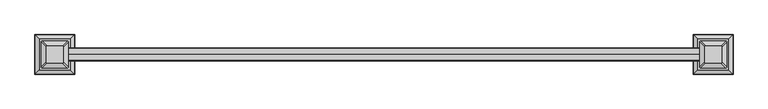
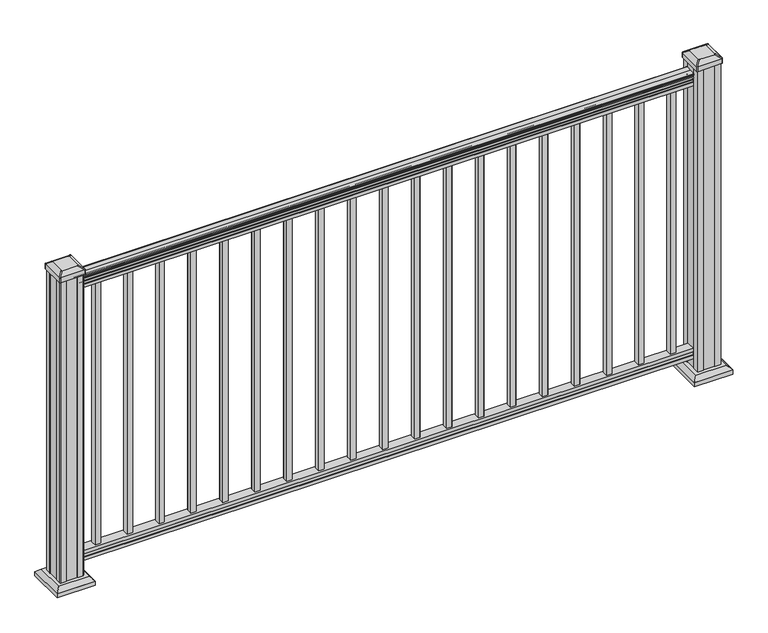
"""IFC4 building model written with IfcOpenShell, lengths in millimetres: railing geometry."""

from ifc_helpers import new_model, si_unit, point, frame, frame_2d, origin, origin_with_axes, place, context, project, spatial, polyline, circle_curve, trimmed, segment, composite_curve, outline, extrude, faceted_brep, source, transform, mapped, element, save
from ifc_brep_helpers import plane_surface, extruded_surface, advanced_brep


def railing_3f3733c8(model_context):
    return source(origin(), model_context, "Body", "SolidModel", [
        extrude(outline(composite_curve([segment(trimmed(circle_curve(frame_2d((3347.6690602, 1090.8043297)), 1.2869144), [point((3348.9559745, 1090.8043297))], [point((3346.3821458, 1090.8043297))], False, "CARTESIAN"), True, "CONTINUOUS"), segment(polyline([(3346.3821458, 1090.8043297), (3346.3821458, 1080.147013), (3347.3981458, 1079.131013), (3347.3981458, 1066.8), (3315.6481458, 1066.8), (3315.6481458, 1079.2888283), (3316.6641458, 1080.3048283), (3316.6641458, 1090.8043297)]), True, "CONTINUOUS"), segment(trimmed(circle_curve(frame_2d((3315.3772314, 1090.8043297)), 1.2869144), [point((3316.6641458, 1090.8043297))], [point((3314.0903171, 1090.8043297))], False, "CARTESIAN"), True, "CONTINUOUS"), segment(polyline([(3314.0903171, 1090.8043297), (3314.0903171, 1092.692412)]), True, "CONTINUOUS"), segment(trimmed(circle_curve(frame_2d((3320.4050703, 1098.4506383)), 8.545951), [point((3314.0903171, 1092.692412))], [point((3312.9601308, 1094.2546695))], False, "CARTESIAN"), True, "CONTINUOUS"), segment(trimmed(circle_curve(frame_2d((3319.9680074, 1097.8636577)), 7.882584), [point((3312.9601308, 1094.2546695))], [point((3312.9601308, 1101.4726458))], False, "CARTESIAN"), True, "CONTINUOUS"), segment(trimmed(circle_curve(frame_2d((3309.4546832, 1103.7112527)), 4.1592695), [point((3312.9601308, 1101.4726458))], [point((3313.6093872, 1103.9060812))], True, "CARTESIAN"), True, "CONTINUOUS"), segment(trimmed(circle_curve(frame_2d((3308.1673767, 1103.6508864)), 5.4479907), [point((3313.6093872, 1103.9060812))], [point((3311.1093872, 1108.2362083))], True, "CARTESIAN"), True, "CONTINUOUS"), segment(trimmed(circle_curve(frame_2d((3309.4005351, 1108.233395)), 1.7088543), [point((3311.1093872, 1108.2362083))], [point((3309.7000447, 1109.9157972))], True, "CARTESIAN"), True, "CONTINUOUS"), segment(trimmed(circle_curve(frame_2d((3311.0174352, 1111.0205318)), 1.7192895), [point((3309.7000447, 1109.9157972))], [point((3309.2981457, 1111.0205318))], False, "CARTESIAN"), True, "CONTINUOUS"), segment(polyline([(3309.2981457, 1111.0205318), (3309.2981458, 1112.3608158)]), True, "CONTINUOUS"), segment(trimmed(circle_curve(frame_2d((3310.851593, 1112.3608158)), 1.5534472), [point((3309.2981458, 1112.3608158))], [point((3310.851593, 1113.914263))], False, "CARTESIAN"), True, "CONTINUOUS"), segment(polyline([(3310.851593, 1113.914263), (3331.5231458, 1113.914263), (3352.1946986, 1113.914263)]), True, "CONTINUOUS"), segment(trimmed(circle_curve(frame_2d((3352.1946986, 1112.3608158)), 1.5534472), [point((3352.1946986, 1113.914263))], [point((3353.7481458, 1112.3608158))], False, "CARTESIAN"), True, "CONTINUOUS"), segment(polyline([(3353.7481458, 1112.3608158), (3353.7481458, 1111.0205318)]), True, "CONTINUOUS"), segment(trimmed(circle_curve(frame_2d((3352.0288564, 1111.0205318)), 1.7192895), [point((3353.7481458, 1111.0205318))], [point((3353.3462469, 1109.9157972))], False, "CARTESIAN"), True, "CONTINUOUS"), segment(trimmed(circle_curve(frame_2d((3353.6457565, 1108.233395)), 1.7088543), [point((3353.3462469, 1109.9157972))], [point((3351.9369044, 1108.2362083))], True, "CARTESIAN"), True, "CONTINUOUS"), segment(trimmed(circle_curve(frame_2d((3354.8789149, 1103.6508864)), 5.4479907), [point((3351.9369044, 1108.2362083))], [point((3349.4369044, 1103.9060812))], True, "CARTESIAN"), True, "CONTINUOUS"), segment(trimmed(circle_curve(frame_2d((3353.5916083, 1103.7112527)), 4.1592695), [point((3349.4369044, 1103.9060812))], [point((3350.0861608, 1101.4726458))], True, "CARTESIAN"), True, "CONTINUOUS"), segment(trimmed(circle_curve(frame_2d((3343.0782842, 1097.8636577)), 7.882584), [point((3350.0861608, 1101.4726458))], [point((3350.0861608, 1094.2546695))], False, "CARTESIAN"), True, "CONTINUOUS"), segment(trimmed(circle_curve(frame_2d((3342.6412213, 1098.4506383)), 8.545951), [point((3350.0861608, 1094.2546695))], [point((3348.9559745, 1092.692412))], False, "CARTESIAN"), True, "CONTINUOUS"), segment(polyline([(3348.9559745, 1092.692412), (3348.9559745, 1090.8043297)]), True, "CONTINUOUS")], self_intersect=False)), frame((20365.565028, 0.0, 0.0), z_axis=(1.0, 0.0, 0.0), x_axis=(0.0, 1.0, 0.0)), (0.0, 0.0, 1.0), 2133.6),
        extrude(outline(polyline([(3347.4356327, 76.0541976), (3347.4356327, 63.5), (3315.6856327, 63.5), (3315.6856327, 76.0375508), (3316.7016327, 77.3858283), (3316.7016327, 87.6975248), (3315.6856327, 89.0458024), (3315.6856327, 101.5958781), (3347.4356327, 101.5958781), (3347.4356327, 89.0624492), (3346.4196327, 87.7141717), (3346.4196327, 77.3546183), (3347.4356327, 76.0541976)])), frame((20365.565028, 0.0, 0.0), z_axis=(1.0, 0.0, 0.0), x_axis=(0.0, 1.0, 0.0)), (0.0, 0.0, 1.0), 2133.6),
        extrude(outline(polyline([(20441.765028, 3341.0481458), (20441.765028, 3321.9981458), (20422.715028, 3321.9981458), (20422.715028, 3341.0481458), (20441.765028, 3341.0481458)]), holes=[polyline([(20441.368153, 3340.6512708), (20423.111903, 3340.6512708), (20423.111903, 3322.3950208), (20441.368153, 3322.3950208), (20441.368153, 3340.6512708)])]), frame((0.0, 0.0, 101.5958781), z_axis=(0.0, 0.0, 1.0), x_axis=(1.0, 0.0, 0.0)), (0.0, 0.0, 1.0), 965.2041219),
        extrude(outline(polyline([(20552.890028, 3341.0481458), (20552.890028, 3321.9981458), (20533.840028, 3321.9981458), (20533.840028, 3341.0481458), (20552.890028, 3341.0481458)]), holes=[polyline([(20552.493153, 3340.6512708), (20534.236903, 3340.6512708), (20534.236903, 3322.3950208), (20552.493153, 3322.3950208), (20552.493153, 3340.6512708)])]), frame((0.0, 0.0, 101.5958781), z_axis=(0.0, 0.0, 1.0), x_axis=(1.0, 0.0, 0.0)), (0.0, 0.0, 1.0), 965.2041219),
        extrude(outline(polyline([(20664.015028, 3341.0481458), (20664.015028, 3321.9981458), (20644.965028, 3321.9981458), (20644.965028, 3341.0481458), (20664.015028, 3341.0481458)]), holes=[polyline([(20663.618153, 3340.6512708), (20645.361903, 3340.6512708), (20645.361903, 3322.3950208), (20663.618153, 3322.3950208), (20663.618153, 3340.6512708)])]), frame((0.0, 0.0, 101.5958781), z_axis=(0.0, 0.0, 1.0), x_axis=(1.0, 0.0, 0.0)), (0.0, 0.0, 1.0), 965.2041219),
        extrude(outline(polyline([(20775.140028, 3341.0481458), (20775.140028, 3321.9981458), (20756.090028, 3321.9981458), (20756.090028, 3341.0481458), (20775.140028, 3341.0481458)]), holes=[polyline([(20774.743153, 3340.6512708), (20756.486903, 3340.6512708), (20756.486903, 3322.3950208), (20774.743153, 3322.3950208), (20774.743153, 3340.6512708)])]), frame((0.0, 0.0, 101.5958781), z_axis=(0.0, 0.0, 1.0), x_axis=(1.0, 0.0, 0.0)), (0.0, 0.0, 1.0), 965.2041219),
        extrude(outline(polyline([(20886.265028, 3341.0481458), (20886.265028, 3321.9981458), (20867.215028, 3321.9981458), (20867.215028, 3341.0481458), (20886.265028, 3341.0481458)]), holes=[polyline([(20885.868153, 3340.6512708), (20867.611903, 3340.6512708), (20867.611903, 3322.3950208), (20885.868153, 3322.3950208), (20885.868153, 3340.6512708)])]), frame((0.0, 0.0, 101.5958781), z_axis=(0.0, 0.0, 1.0), x_axis=(1.0, 0.0, 0.0)), (0.0, 0.0, 1.0), 965.2041219),
        extrude(outline(polyline([(20997.390028, 3341.0481458), (20997.390028, 3321.9981458), (20978.340028, 3321.9981458), (20978.340028, 3341.0481458), (20997.390028, 3341.0481458)]), holes=[polyline([(20996.993153, 3340.6512708), (20978.736903, 3340.6512708), (20978.736903, 3322.3950208), (20996.993153, 3322.3950208), (20996.993153, 3340.6512708)])]), frame((0.0, 0.0, 101.5958781), z_axis=(0.0, 0.0, 1.0), x_axis=(1.0, 0.0, 0.0)), (0.0, 0.0, 1.0), 965.2041219),
        extrude(outline(polyline([(21108.515028, 3341.0481458), (21108.515028, 3321.9981458), (21089.465028, 3321.9981458), (21089.465028, 3341.0481458), (21108.515028, 3341.0481458)]), holes=[polyline([(21108.118153, 3340.6512708), (21089.861903, 3340.6512708), (21089.861903, 3322.3950208), (21108.118153, 3322.3950208), (21108.118153, 3340.6512708)])]), frame((0.0, 0.0, 101.5958781), z_axis=(0.0, 0.0, 1.0), x_axis=(1.0, 0.0, 0.0)), (0.0, 0.0, 1.0), 965.2041219),
        extrude(outline(polyline([(21219.640028, 3341.0481458), (21219.640028, 3321.9981458), (21200.590028, 3321.9981458), (21200.590028, 3341.0481458), (21219.640028, 3341.0481458)]), holes=[polyline([(21219.243153, 3340.6512708), (21200.986903, 3340.6512708), (21200.986903, 3322.3950208), (21219.243153, 3322.3950208), (21219.243153, 3340.6512708)])]), frame((0.0, 0.0, 101.5958781), z_axis=(0.0, 0.0, 1.0), x_axis=(1.0, 0.0, 0.0)), (0.0, 0.0, 1.0), 965.2041219),
        extrude(outline(polyline([(21330.765028, 3341.0481458), (21330.765028, 3321.9981458), (21311.715028, 3321.9981458), (21311.715028, 3341.0481458), (21330.765028, 3341.0481458)]), holes=[polyline([(21330.368153, 3340.6512708), (21312.111903, 3340.6512708), (21312.111903, 3322.3950208), (21330.368153, 3322.3950208), (21330.368153, 3340.6512708)])]), frame((0.0, 0.0, 101.5958781), z_axis=(0.0, 0.0, 1.0), x_axis=(1.0, 0.0, 0.0)), (0.0, 0.0, 1.0), 965.2041219),
        extrude(outline(polyline([(21441.890028, 3341.0481458), (21441.890028, 3321.9981458), (21422.840028, 3321.9981458), (21422.840028, 3341.0481458), (21441.890028, 3341.0481458)]), holes=[polyline([(21441.493153, 3340.6512708), (21423.236903, 3340.6512708), (21423.236903, 3322.3950208), (21441.493153, 3322.3950208), (21441.493153, 3340.6512708)])]), frame((0.0, 0.0, 101.5958781), z_axis=(0.0, 0.0, 1.0), x_axis=(1.0, 0.0, 0.0)), (0.0, 0.0, 1.0), 965.2041219),
        extrude(outline(polyline([(21553.015028, 3341.0481458), (21553.015028, 3321.9981458), (21533.965028, 3321.9981458), (21533.965028, 3341.0481458), (21553.015028, 3341.0481458)]), holes=[polyline([(21552.618153, 3340.6512708), (21534.361903, 3340.6512708), (21534.361903, 3322.3950208), (21552.618153, 3322.3950208), (21552.618153, 3340.6512708)])]), frame((0.0, 0.0, 101.5958781), z_axis=(0.0, 0.0, 1.0), x_axis=(1.0, 0.0, 0.0)), (0.0, 0.0, 1.0), 965.2041219),
        extrude(outline(polyline([(21664.140028, 3341.0481458), (21664.140028, 3321.9981458), (21645.090028, 3321.9981458), (21645.090028, 3341.0481458), (21664.140028, 3341.0481458)]), holes=[polyline([(21663.743153, 3340.6512708), (21645.486903, 3340.6512708), (21645.486903, 3322.3950208), (21663.743153, 3322.3950208), (21663.743153, 3340.6512708)])]), frame((0.0, 0.0, 101.5958781), z_axis=(0.0, 0.0, 1.0), x_axis=(1.0, 0.0, 0.0)), (0.0, 0.0, 1.0), 965.2041219),
        extrude(outline(polyline([(21775.265028, 3341.0481458), (21775.265028, 3321.9981458), (21756.215028, 3321.9981458), (21756.215028, 3341.0481458), (21775.265028, 3341.0481458)]), holes=[polyline([(21774.868153, 3340.6512708), (21756.611903, 3340.6512708), (21756.611903, 3322.3950208), (21774.868153, 3322.3950208), (21774.868153, 3340.6512708)])]), frame((0.0, 0.0, 101.5958781), z_axis=(0.0, 0.0, 1.0), x_axis=(1.0, 0.0, 0.0)), (0.0, 0.0, 1.0), 965.2041219),
        extrude(outline(polyline([(21886.390028, 3341.0481458), (21886.390028, 3321.9981458), (21867.340028, 3321.9981458), (21867.340028, 3341.0481458), (21886.390028, 3341.0481458)]), holes=[polyline([(21885.993153, 3340.6512708), (21867.736903, 3340.6512708), (21867.736903, 3322.3950208), (21885.993153, 3322.3950208), (21885.993153, 3340.6512708)])]), frame((0.0, 0.0, 101.5958781), z_axis=(0.0, 0.0, 1.0), x_axis=(1.0, 0.0, 0.0)), (0.0, 0.0, 1.0), 965.2041219),
        extrude(outline(polyline([(21997.515028, 3341.0481458), (21997.515028, 3321.9981458), (21978.465028, 3321.9981458), (21978.465028, 3341.0481458), (21997.515028, 3341.0481458)]), holes=[polyline([(21997.118153, 3340.6512708), (21978.861903, 3340.6512708), (21978.861903, 3322.3950208), (21997.118153, 3322.3950208), (21997.118153, 3340.6512708)])]), frame((0.0, 0.0, 101.5958781), z_axis=(0.0, 0.0, 1.0), x_axis=(1.0, 0.0, 0.0)), (0.0, 0.0, 1.0), 965.2041219),
        extrude(outline(polyline([(22108.640028, 3341.0481458), (22108.640028, 3321.9981458), (22089.590028, 3321.9981458), (22089.590028, 3341.0481458), (22108.640028, 3341.0481458)]), holes=[polyline([(22108.243153, 3340.6512708), (22089.986903, 3340.6512708), (22089.986903, 3322.3950208), (22108.243153, 3322.3950208), (22108.243153, 3340.6512708)])]), frame((0.0, 0.0, 101.5958781), z_axis=(0.0, 0.0, 1.0), x_axis=(1.0, 0.0, 0.0)), (0.0, 0.0, 1.0), 965.2041219),
        extrude(outline(polyline([(22219.765028, 3341.0481458), (22219.765028, 3321.9981458), (22200.715028, 3321.9981458), (22200.715028, 3341.0481458), (22219.765028, 3341.0481458)]), holes=[polyline([(22219.368153, 3340.6512708), (22201.111903, 3340.6512708), (22201.111903, 3322.3950208), (22219.368153, 3322.3950208), (22219.368153, 3340.6512708)])]), frame((0.0, 0.0, 101.5958781), z_axis=(0.0, 0.0, 1.0), x_axis=(1.0, 0.0, 0.0)), (0.0, 0.0, 1.0), 965.2041219),
        extrude(outline(polyline([(22330.890028, 3341.0481458), (22330.890028, 3321.9981458), (22311.840028, 3321.9981458), (22311.840028, 3341.0481458), (22330.890028, 3341.0481458)]), holes=[polyline([(22330.493153, 3340.6512708), (22312.236903, 3340.6512708), (22312.236903, 3322.3950208), (22330.493153, 3322.3950208), (22330.493153, 3340.6512708)])]), frame((0.0, 0.0, 101.5958781), z_axis=(0.0, 0.0, 1.0), x_axis=(1.0, 0.0, 0.0)), (0.0, 0.0, 1.0), 965.2041219),
        extrude(outline(polyline([(22442.015028, 3341.0481458), (22442.015028, 3321.9981458), (22422.965028, 3321.9981458), (22422.965028, 3341.0481458), (22442.015028, 3341.0481458)]), holes=[polyline([(22441.618153, 3340.6512708), (22423.361903, 3340.6512708), (22423.361903, 3322.3950208), (22441.618153, 3322.3950208), (22441.618153, 3340.6512708)])]), frame((0.0, 0.0, 101.5958781), z_axis=(0.0, 0.0, 1.0), x_axis=(1.0, 0.0, 0.0)), (0.0, 0.0, 1.0), 965.2041219),
        faceted_brep([(20376.8759655, 3384.1090833, 28.575), (20271.7040905, 3384.1090833, 28.575), (20271.7040905, 3278.9372083, 28.575), (20376.8759655, 3278.9372083, 28.575), (20390.9154186, 3398.1485364, 15.24), (20390.9154186, 3264.8977552, 15.24), (20257.6646373, 3264.8977552, 15.24), (20257.6646373, 3398.1485364, 15.24)], [[[0, 1, 2, 3]], [[4, 5, 6, 7]], [[4, 0, 3, 5]], [[5, 3, 2, 6]], [[6, 2, 1, 7]], [[7, 1, 0, 4]]]),
        extrude(outline(polyline([(20390.9154186, 3398.1485364), (20390.9154186, 3264.8977552), (20257.6646373, 3264.8977552), (20257.6646373, 3398.1485364), (20390.9154186, 3398.1485364)])), origin_with_axes(), (0.0, 0.0, 1.0), 15.24),
        advanced_brep(
        [(20353.261903, 3305.7262708, 1165.225), (20353.261903, 3357.3200208, 1165.225), (20350.086903, 3360.4950208, 1165.225), (20298.493153, 3360.4950208, 1165.225), (20295.318153, 3357.3200208, 1165.225), (20295.318153, 3305.7262708, 1165.225), (20298.493153, 3302.5512708, 1165.225), (20350.086903, 3302.5512708, 1165.225), (20369.533778, 3289.4543958, 1153.922), (20366.358778, 3286.2793958, 1153.922), (20282.221278, 3286.2793958, 1153.922), (20279.046278, 3289.4543958, 1153.922), (20279.046278, 3373.5918958, 1153.922), (20282.221278, 3376.7668958, 1153.922), (20366.358778, 3376.7668958, 1153.922), (20369.533778, 3373.5918958, 1153.922)],
        [
            (0, 1),
            (1, 2, circle_curve(frame((20350.086903, 3357.3200208, 1165.225), z_axis=(0.0, 0.0, 1.0), x_axis=(-1.0, 0.0, 0.0)), 3.175)),
            (2, 3),
            (3, 4, circle_curve(frame((20298.493153, 3357.3200208, 1165.225), z_axis=(0.0, 0.0, 1.0), x_axis=(-1.0, 0.0, 0.0)), 3.175)),
            (4, 5),
            (5, 6, circle_curve(frame((20298.493153, 3305.7262708, 1165.225), z_axis=(0.0, 0.0, 1.0), x_axis=(-1.0, 0.0, 0.0)), 3.175)),
            (6, 7),
            (7, 0, circle_curve(frame((20350.086903, 3305.7262708, 1165.225), z_axis=(0.0, 0.0, 1.0), x_axis=(-1.0, 0.0, 0.0)), 3.175)),
            (8, 9, circle_curve(frame((20366.358778, 3289.4543958, 1153.922), z_axis=(0.0, 0.0, -1.0), x_axis=(-1.0, 0.0, 0.0)), 3.175)),
            (9, 10),
            (10, 11, circle_curve(frame((20282.221278, 3289.4543958, 1153.922), z_axis=(0.0, 0.0, -1.0), x_axis=(-1.0, 0.0, 0.0)), 3.175)),
            (11, 12),
            (12, 13, circle_curve(frame((20282.221278, 3373.5918958, 1153.922), z_axis=(0.0, 0.0, -1.0), x_axis=(-1.0, 0.0, 0.0)), 3.175)),
            (13, 14),
            (14, 15, circle_curve(frame((20366.358778, 3373.5918958, 1153.922), z_axis=(0.0, 0.0, -1.0), x_axis=(-1.0, 0.0, 0.0)), 3.175)),
            (15, 8),
            (8, 0),
            (7, 9),
            (6, 10),
            (5, 11),
            (4, 12),
            (3, 13),
            (2, 14),
            (1, 15),
        ],
        [
            plane_surface(frame((20324.290028, 3331.5231458, 1165.225), z_axis=(0.0, 0.0, 1.0), x_axis=(0.0, -1.0, 0.0))),
            plane_surface(frame((20324.290028, 3331.5231458, 1153.922), z_axis=(0.0, 0.0, -1.0), x_axis=(0.0, -1.0, 0.0))),
            extruded_surface(trimmed(circle_curve(frame((20350.086903, 3305.7262708, 1165.225), z_axis=(0.0, 0.0, -1.0), x_axis=(-1.0, 0.0, 0.0)), 3.175), [point((20353.261903, 3305.7262708, 1165.225))], [point((20350.086903, 3302.5512708, 1165.225))], True, "CARTESIAN"), (16.271875000002183, -16.27187499999991, -11.302999999999884), 25.63797263886744),
            plane_surface(frame((20324.290028, 3286.2793958, 1153.922), z_axis=(0.0, -0.5705009161540777, 0.8212969649690409), x_axis=(-1.0, 0.0, 0.0))),
            extruded_surface(trimmed(circle_curve(frame((20298.493153, 3305.7262708, 1165.225), z_axis=(0.0, 0.0, -1.0), x_axis=(-1.0, 0.0, 0.0)), 3.175), [point((20298.493153, 3302.5512708, 1165.225))], [point((20295.318153, 3305.7262708, 1165.225))], True, "CARTESIAN"), (-16.271874999998545, -16.27187499999991, -11.302999999999884), 25.63797263886513),
            plane_surface(frame((20279.046278, 3331.5231458, 1153.922), z_axis=(-0.5705009161540291, 0.0, 0.8212969649690747), x_axis=(0.0, 1.0, 0.0))),
            extruded_surface(trimmed(circle_curve(frame((20298.493153, 3357.3200208, 1165.225), z_axis=(0.0, 0.0, -1.0), x_axis=(-1.0, 0.0, 0.0)), 3.175), [point((20295.318153, 3357.3200208, 1165.225))], [point((20298.493153, 3360.4950208, 1165.225))], True, "CARTESIAN"), (-16.271874999998545, 16.271875000000364, -11.302999999999884), 25.63797263886542),
            plane_surface(frame((20324.290028, 3376.7668958, 1153.922), z_axis=(0.0, 0.5705009161540143, 0.821296964969085), x_axis=(1.0, 0.0, 0.0))),
            extruded_surface(trimmed(circle_curve(frame((20350.086903, 3357.3200208, 1165.225), z_axis=(0.0, 0.0, -1.0), x_axis=(-1.0, 0.0, 0.0)), 3.175), [point((20350.086903, 3360.4950208, 1165.225))], [point((20353.261903, 3357.3200208, 1165.225))], True, "CARTESIAN"), (16.271875000002183, 16.271875000000364, -11.302999999999884), 25.637972638867726),
            plane_surface(frame((20369.533778, 3331.5231458, 1153.922), z_axis=(0.570500916154034, 0.0, 0.8212969649690713), x_axis=(0.0, -1.0, 0.0))),
        ],
        [
            (0, [[1, 2, 3, 4, 5, 6, 7, 8]]),
            (1, [[9, 10, 11, 12, 13, 14, 15, 16]]),
            (2, [[17, -8, 18, -9]]),
            (3, [[-18, -7, 19, -10]]),
            (4, [[-19, -6, 20, -11]]),
            (5, [[-20, -5, 21, -12]]),
            (6, [[-21, -4, 22, -13]]),
            (7, [[-22, -3, 23, -14]]),
            (8, [[-23, -2, 24, -15]]),
            (9, [[-24, -1, -17, -16]]),
        ],
    ),
        extrude(outline(composite_curve([segment(trimmed(circle_curve(frame_2d((20366.358778, 3289.4543958)), 3.175), [point((20369.533778, 3289.4543958))], [point((20366.358778, 3286.2793958))], False, "CARTESIAN"), True, "CONTINUOUS"), segment(polyline([(20366.358778, 3286.2793958), (20282.221278, 3286.2793958)]), True, "CONTINUOUS"), segment(trimmed(circle_curve(frame_2d((20282.221278, 3289.4543958)), 3.175), [point((20282.221278, 3286.2793958))], [point((20279.046278, 3289.4543958))], False, "CARTESIAN"), True, "CONTINUOUS"), segment(polyline([(20279.046278, 3289.4543958), (20279.046278, 3373.5918958)]), True, "CONTINUOUS"), segment(trimmed(circle_curve(frame_2d((20282.221278, 3373.5918958)), 3.175), [point((20279.046278, 3373.5918958))], [point((20282.221278, 3376.7668958))], False, "CARTESIAN"), True, "CONTINUOUS"), segment(polyline([(20282.221278, 3376.7668958), (20366.358778, 3376.7668958)]), True, "CONTINUOUS"), segment(trimmed(circle_curve(frame_2d((20366.358778, 3373.5918958)), 3.175), [point((20366.358778, 3376.7668958))], [point((20369.533778, 3373.5918958))], False, "CARTESIAN"), True, "CONTINUOUS"), segment(polyline([(20369.533778, 3373.5918958), (20369.533778, 3289.4543958)]), True, "CONTINUOUS")], self_intersect=False)), frame((0.0, 0.0, 1136.65), z_axis=(0.0, 0.0, 1.0), x_axis=(1.0, 0.0, 0.0)), (0.0, 0.0, 1.0), 17.272),
        extrude(outline(polyline([(20365.565028, 3291.8356458), (20363.977528, 3290.2481458), (20344.356028, 3290.2481458), (20343.594028, 3291.8356458), (20304.986028, 3291.8356458), (20304.224028, 3290.2481458), (20284.602528, 3290.2481458), (20283.015028, 3291.8356458), (20283.015028, 3311.4571458), (20284.602528, 3312.2191458), (20284.602528, 3350.8271458), (20283.015028, 3351.5891458), (20283.015028, 3371.2106458), (20284.602528, 3372.7981458), (20304.224028, 3372.7981458), (20304.986028, 3371.2106458), (20343.594028, 3371.2106458), (20344.356028, 3372.7981458), (20363.977528, 3372.7981458), (20365.565028, 3371.2106458), (20365.565028, 3351.5891458), (20363.977528, 3350.8271458), (20363.977528, 3312.2191458), (20365.565028, 3311.4571458), (20365.565028, 3291.8356458)])), origin_with_axes(), (0.0, 0.0, 1.0), 1136.65),
        faceted_brep([(22593.0259655, 3384.1090833, 28.575), (22487.8540905, 3384.1090833, 28.575), (22487.8540905, 3278.9372083, 28.575), (22593.0259655, 3278.9372083, 28.575), (22607.0654186, 3398.1485364, 15.24), (22607.0654186, 3264.8977552, 15.24), (22473.8146373, 3264.8977552, 15.24), (22473.8146373, 3398.1485364, 15.24)], [[[0, 1, 2, 3]], [[4, 5, 6, 7]], [[4, 0, 3, 5]], [[5, 3, 2, 6]], [[6, 2, 1, 7]], [[7, 1, 0, 4]]]),
        extrude(outline(polyline([(22607.0654186, 3398.1485364), (22607.0654186, 3264.8977552), (22473.8146373, 3264.8977552), (22473.8146373, 3398.1485364), (22607.0654186, 3398.1485364)])), origin_with_axes(), (0.0, 0.0, 1.0), 15.24),
        advanced_brep(
        [(22569.411903, 3305.7262708, 1165.225), (22569.411903, 3357.3200208, 1165.225), (22566.236903, 3360.4950208, 1165.225), (22514.643153, 3360.4950208, 1165.225), (22511.468153, 3357.3200208, 1165.225), (22511.468153, 3305.7262708, 1165.225), (22514.643153, 3302.5512708, 1165.225), (22566.236903, 3302.5512708, 1165.225), (22585.683778, 3289.4543958, 1153.922), (22582.508778, 3286.2793958, 1153.922), (22498.371278, 3286.2793958, 1153.922), (22495.196278, 3289.4543958, 1153.922), (22495.196278, 3373.5918958, 1153.922), (22498.371278, 3376.7668958, 1153.922), (22582.508778, 3376.7668958, 1153.922), (22585.683778, 3373.5918958, 1153.922)],
        [
            (0, 1),
            (1, 2, circle_curve(frame((22566.236903, 3357.3200208, 1165.225), z_axis=(0.0, 0.0, 1.0), x_axis=(-1.0, 0.0, 0.0)), 3.175)),
            (2, 3),
            (3, 4, circle_curve(frame((22514.643153, 3357.3200208, 1165.225), z_axis=(0.0, 0.0, 1.0), x_axis=(-1.0, 0.0, 0.0)), 3.175)),
            (4, 5),
            (5, 6, circle_curve(frame((22514.643153, 3305.7262708, 1165.225), z_axis=(0.0, 0.0, 1.0), x_axis=(-1.0, 0.0, 0.0)), 3.175)),
            (6, 7),
            (7, 0, circle_curve(frame((22566.236903, 3305.7262708, 1165.225), z_axis=(0.0, 0.0, 1.0), x_axis=(-1.0, 0.0, 0.0)), 3.175)),
            (8, 9, circle_curve(frame((22582.508778, 3289.4543958, 1153.922), z_axis=(0.0, 0.0, -1.0), x_axis=(-1.0, 0.0, 0.0)), 3.175)),
            (9, 10),
            (10, 11, circle_curve(frame((22498.371278, 3289.4543958, 1153.922), z_axis=(0.0, 0.0, -1.0), x_axis=(-1.0, 0.0, 0.0)), 3.175)),
            (11, 12),
            (12, 13, circle_curve(frame((22498.371278, 3373.5918958, 1153.922), z_axis=(0.0, 0.0, -1.0), x_axis=(-1.0, 0.0, 0.0)), 3.175)),
            (13, 14),
            (14, 15, circle_curve(frame((22582.508778, 3373.5918958, 1153.922), z_axis=(0.0, 0.0, -1.0), x_axis=(-1.0, 0.0, 0.0)), 3.175)),
            (15, 8),
            (8, 0),
            (7, 9),
            (6, 10),
            (5, 11),
            (4, 12),
            (3, 13),
            (2, 14),
            (1, 15),
        ],
        [
            plane_surface(frame((22540.440028, 3331.5231458, 1165.225), z_axis=(0.0, 0.0, 1.0), x_axis=(0.0, -1.0, 0.0))),
            plane_surface(frame((22540.440028, 3331.5231458, 1153.922), z_axis=(0.0, 0.0, -1.0), x_axis=(0.0, -1.0, 0.0))),
            extruded_surface(trimmed(circle_curve(frame((22566.236903, 3305.7262708, 1165.225), z_axis=(0.0, 0.0, -1.0), x_axis=(-1.0, 0.0, 0.0)), 3.175), [point((22569.411903, 3305.7262708, 1165.225))], [point((22566.236903, 3302.5512708, 1165.225))], True, "CARTESIAN"), (16.271874999998545, -16.27187499999991, -11.302999999999884), 25.63797263886513),
            plane_surface(frame((22540.440028, 3286.2793958, 1153.922), z_axis=(0.0, -0.5705009161540777, 0.8212969649690409), x_axis=(-1.0, 0.0, 0.0))),
            extruded_surface(trimmed(circle_curve(frame((22514.643153, 3305.7262708, 1165.225), z_axis=(0.0, 0.0, -1.0), x_axis=(-1.0, 0.0, 0.0)), 3.175), [point((22514.643153, 3302.5512708, 1165.225))], [point((22511.468153, 3305.7262708, 1165.225))], True, "CARTESIAN"), (-16.271875000002183, -16.27187499999991, -11.302999999999884), 25.63797263886744),
            plane_surface(frame((22495.196278, 3331.5231458, 1153.922), z_axis=(-0.5705009161540291, 0.0, 0.8212969649690747), x_axis=(0.0, 1.0, 0.0))),
            extruded_surface(trimmed(circle_curve(frame((22514.643153, 3357.3200208, 1165.225), z_axis=(0.0, 0.0, -1.0), x_axis=(-1.0, 0.0, 0.0)), 3.175), [point((22511.468153, 3357.3200208, 1165.225))], [point((22514.643153, 3360.4950208, 1165.225))], True, "CARTESIAN"), (-16.271875000002183, 16.271875000000364, -11.302999999999884), 25.637972638867726),
            plane_surface(frame((22540.440028, 3376.7668958, 1153.922), z_axis=(0.0, 0.5705009161540143, 0.821296964969085), x_axis=(1.0, 0.0, 0.0))),
            extruded_surface(trimmed(circle_curve(frame((22566.236903, 3357.3200208, 1165.225), z_axis=(0.0, 0.0, -1.0), x_axis=(-1.0, 0.0, 0.0)), 3.175), [point((22566.236903, 3360.4950208, 1165.225))], [point((22569.411903, 3357.3200208, 1165.225))], True, "CARTESIAN"), (16.271874999998545, 16.271875000000364, -11.302999999999884), 25.63797263886542),
            plane_surface(frame((22585.683778, 3331.5231458, 1153.922), z_axis=(0.570500916154034, 0.0, 0.8212969649690713), x_axis=(0.0, -1.0, 0.0))),
        ],
        [
            (0, [[1, 2, 3, 4, 5, 6, 7, 8]]),
            (1, [[9, 10, 11, 12, 13, 14, 15, 16]]),
            (2, [[17, -8, 18, -9]]),
            (3, [[-18, -7, 19, -10]]),
            (4, [[-19, -6, 20, -11]]),
            (5, [[-20, -5, 21, -12]]),
            (6, [[-21, -4, 22, -13]]),
            (7, [[-22, -3, 23, -14]]),
            (8, [[-23, -2, 24, -15]]),
            (9, [[-24, -1, -17, -16]]),
        ],
    ),
        extrude(outline(composite_curve([segment(trimmed(circle_curve(frame_2d((22582.508778, 3289.4543958)), 3.175), [point((22585.683778, 3289.4543958))], [point((22582.508778, 3286.2793958))], False, "CARTESIAN"), True, "CONTINUOUS"), segment(polyline([(22582.508778, 3286.2793958), (22498.371278, 3286.2793958)]), True, "CONTINUOUS"), segment(trimmed(circle_curve(frame_2d((22498.371278, 3289.4543958)), 3.175), [point((22498.371278, 3286.2793958))], [point((22495.196278, 3289.4543958))], False, "CARTESIAN"), True, "CONTINUOUS"), segment(polyline([(22495.196278, 3289.4543958), (22495.196278, 3373.5918958)]), True, "CONTINUOUS"), segment(trimmed(circle_curve(frame_2d((22498.371278, 3373.5918958)), 3.175), [point((22495.196278, 3373.5918958))], [point((22498.371278, 3376.7668958))], False, "CARTESIAN"), True, "CONTINUOUS"), segment(polyline([(22498.371278, 3376.7668958), (22582.508778, 3376.7668958)]), True, "CONTINUOUS"), segment(trimmed(circle_curve(frame_2d((22582.508778, 3373.5918958)), 3.175), [point((22582.508778, 3376.7668958))], [point((22585.683778, 3373.5918958))], False, "CARTESIAN"), True, "CONTINUOUS"), segment(polyline([(22585.683778, 3373.5918958), (22585.683778, 3289.4543958)]), True, "CONTINUOUS")], self_intersect=False)), frame((0.0, 0.0, 1136.65), z_axis=(0.0, 0.0, 1.0), x_axis=(1.0, 0.0, 0.0)), (0.0, 0.0, 1.0), 17.272),
        extrude(outline(polyline([(22581.715028, 3291.8356458), (22580.127528, 3290.2481458), (22560.506028, 3290.2481458), (22559.744028, 3291.8356458), (22521.136028, 3291.8356458), (22520.374028, 3290.2481458), (22500.752528, 3290.2481458), (22499.165028, 3291.8356458), (22499.165028, 3311.4571458), (22500.752528, 3312.2191458), (22500.752528, 3350.8271458), (22499.165028, 3351.5891458), (22499.165028, 3371.2106458), (22500.752528, 3372.7981458), (22520.374028, 3372.7981458), (22521.136028, 3371.2106458), (22559.744028, 3371.2106458), (22560.506028, 3372.7981458), (22580.127528, 3372.7981458), (22581.715028, 3371.2106458), (22581.715028, 3351.5891458), (22580.127528, 3350.8271458), (22580.127528, 3312.2191458), (22581.715028, 3311.4571458), (22581.715028, 3291.8356458)])), origin_with_axes(), (0.0, 0.0, 1.0), 1136.65),
    ])


if __name__ == "__main__":
    model = new_model("IFC4")
    model_context = context("Model", 3, world=origin())
    ifc_project = project(units=[si_unit("LENGTHUNIT", "METRE", prefix="MILLI")], contexts=[model_context])
    site = spatial("IfcSite", under=ifc_project)
    building = spatial("IfcBuilding", under=site)
    placement = place(None, origin())
    railing_shape = railing_3f3733c8(model_context)
    element("IfcRailing", 1, at=placement, inside=building, context=model_context, shape_type="MappedRepresentation", body=[
        mapped(railing_shape, transform((0.0, 0.0, 0.0), x_axis=(1.0, 0.0, 0.0), y_axis=(0.0, 1.0, 0.0), z_axis=(0.0, 0.0, 1.0))),
    ])
    save(model, "model.ifc")
